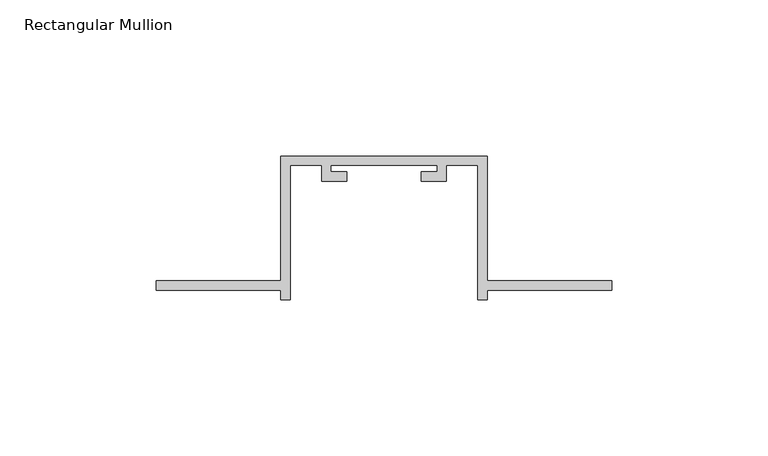
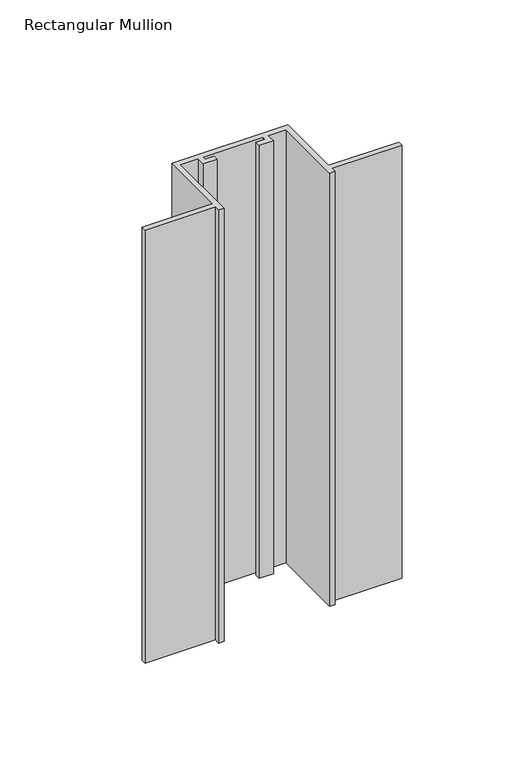
"""IFC4 building model written with IfcOpenShell, lengths in millimetres: member geometry, Rectangular Mullion."""

from ifc_helpers import new_model, si_unit, frame, origin, place, context, project, spatial, polyline, outline, extrude, source, transform, mapped, element, save


def rectangular_mullion_63c186be(model_context):
    return source(origin(), model_context, "Body", "SweptSolid", [
        extrude(outline(polyline([(-33.0, -132.0), (-73.0, -132.0), (-73.0, -129.0), (-33.0, -129.0), (-33.0, -89.0), (33.0, -89.0), (33.0, -129.0), (73.0, -129.0), (73.0, -132.0), (33.0, -132.0), (33.0, -135.0), (30.0, -135.0), (30.0, -92.0), (20.0, -92.0), (20.0, -97.0), (12.0, -97.0), (12.0, -94.0), (17.0, -94.0), (17.0, -92.0), (-17.0, -92.0), (-17.0, -94.0), (-12.0, -94.0), (-12.0, -97.0), (-20.0, -97.0), (-20.0, -92.0), (-30.0, -92.0), (-30.0, -135.0), (-33.0, -135.0), (-33.0, -132.0)])), frame((0.0, 0.0, -260.0), z_axis=(0.0, 0.0, 1.0), x_axis=(1.0, 0.0, 0.0)), (0.0, 0.0, 1.0), 260.0),
    ])


if __name__ == "__main__":
    model = new_model("IFC4")
    model_context = context("Model", 3, world=origin())
    ifc_project = project(units=[si_unit("LENGTHUNIT", "METRE", prefix="MILLI")], contexts=[model_context])
    site = spatial("IfcSite", under=ifc_project)
    building = spatial("IfcBuilding", under=site)
    placement = place(None, origin())
    rectangular_mullion_shape = rectangular_mullion_63c186be(model_context)
    element("IfcMember", 1, ObjectType="Rectangular Mullion", at=placement, inside=building, context=model_context, shape_type="MappedRepresentation", body=[
        mapped(rectangular_mullion_shape, transform((0.0, 0.0, 0.0), x_axis=(1.0, 0.0, 0.0), y_axis=(0.0, 1.0, 0.0), z_axis=(0.0, 0.0, 1.0))),
    ])
    save(model, "model.ifc")
